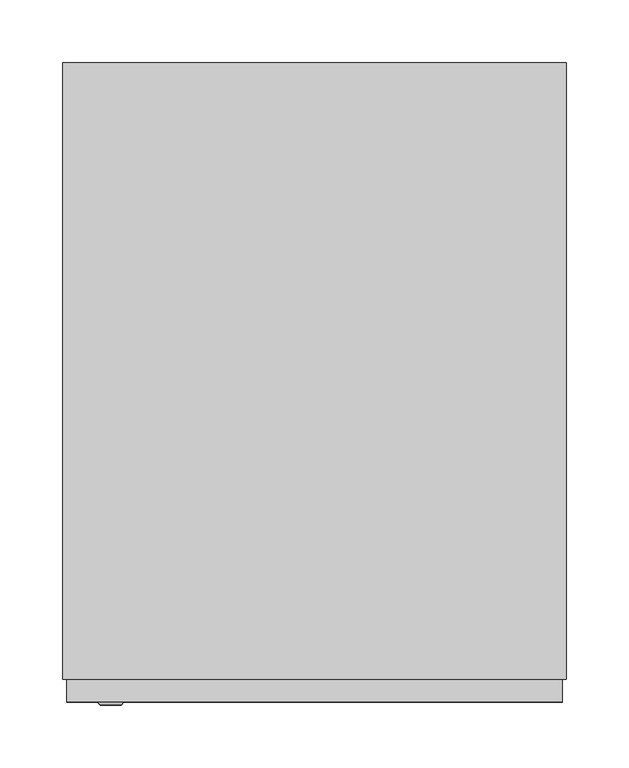
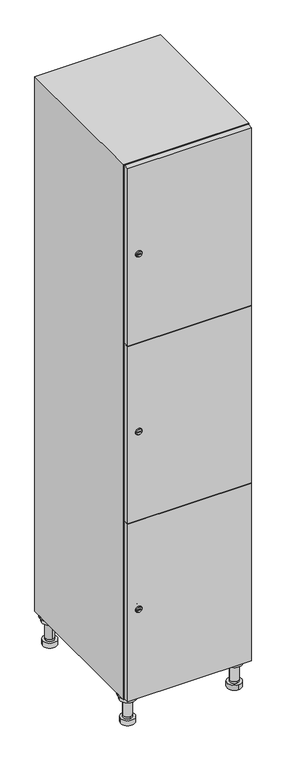
"""IFC4 building model written with IfcOpenShell, lengths in millimetres: furniture geometry."""

from ifc_helpers import new_model, si_unit, point, frame, frame_2d, origin, place, context, project, spatial, polyline, circle_curve, trimmed, segment, composite_curve, outline, extrude, faceted_brep, source, transform, mapped, element, save
from ifc_brep_helpers import plane_surface, cylinder_surface, revolved_surface, advanced_brep


def furniture_3467c257(model_context):
    return source(origin(), model_context, "Body", "SolidModel", [
        advanced_brep(
        [(170.0, -201.0, 22.0), (170.0, -201.5, 16.0), (170.0, -228.5, 16.0), (170.0, -229.0, 22.0), (156.0, -215.0, 22.0), (184.0, -215.0, 22.0), (170.0, -192.5, 16.0), (170.0, -237.5, 16.0), (170.0, -192.5, 0.0), (170.0, -237.5, 0.0), (184.0, -215.0, 78.0), (156.0, -215.0, 78.0), (195.0, -215.0, 78.0), (145.0, -215.0, 78.0), (200.0, -215.0, 94.0), (140.0, -215.0, 94.0), (145.0, -215.0, 94.0), (195.0, -215.0, 94.0), (200.0, -215.0, 100.0), (140.0, -215.0, 100.0)],
        [
            (0, 1),
            (1, 2, circle_curve(frame((170.0, -215.0, 16.0), z_axis=(0.0, 0.0, 1.0), x_axis=(0.0, -1.0, 0.0)), 13.5)),
            (2, 3),
            (3, 4, circle_curve(frame((170.0, -215.0, 22.0), z_axis=(0.0, 0.0, -1.0), x_axis=(0.0, -1.0, 0.0)), 14.0)),
            (4, 0, circle_curve(frame((170.0, -215.0, 22.0), z_axis=(0.0, 0.0, -1.0), x_axis=(0.0, -1.0, 0.0)), 14.0)),
            (0, 5, circle_curve(frame((170.0, -215.0, 22.0), z_axis=(0.0, 0.0, -1.0), x_axis=(0.0, 1.0, 0.0)), 14.0)),
            (5, 3, circle_curve(frame((170.0, -215.0, 22.0), z_axis=(0.0, 0.0, -1.0), x_axis=(0.0, 1.0, 0.0)), 14.0)),
            (2, 1, circle_curve(frame((170.0, -215.0, 16.0), z_axis=(0.0, 0.0, 1.0), x_axis=(0.0, 1.0, 0.0)), 13.5)),
            (6, 7, circle_curve(frame((170.0, -215.0, 16.0), z_axis=(0.0, 0.0, 1.0), x_axis=(0.0, -1.0, 0.0)), 22.5)),
            (7, 6, circle_curve(frame((170.0, -215.0, 16.0), z_axis=(0.0, 0.0, 1.0), x_axis=(0.0, -1.0, 0.0)), 22.5)),
            (8, 9, circle_curve(frame((170.0, -215.0, 0.0), z_axis=(0.0, 0.0, -1.0), x_axis=(0.0, -1.0, 0.0)), 22.5)),
            (9, 8, circle_curve(frame((170.0, -215.0, 0.0), z_axis=(0.0, 0.0, -1.0), x_axis=(0.0, -1.0, 0.0)), 22.5)),
            (6, 8),
            (9, 7),
            (5, 10),
            (10, 11, circle_curve(frame((170.0, -215.0, 78.0), z_axis=(0.0, 0.0, -1.0), x_axis=(-1.0, 0.0, 0.0)), 14.0)),
            (11, 4),
            (11, 10, circle_curve(frame((170.0, -215.0, 78.0), z_axis=(0.0, 0.0, -1.0), x_axis=(-1.0, 0.0, 0.0)), 14.0)),
            (12, 13, circle_curve(frame((170.0, -215.0, 78.0), z_axis=(0.0, 0.0, -1.0), x_axis=(-1.0, 0.0, 0.0)), 25.0)),
            (13, 12, circle_curve(frame((170.0, -215.0, 78.0), z_axis=(0.0, 0.0, -1.0), x_axis=(-1.0, 0.0, 0.0)), 25.0)),
            (14, 15, circle_curve(frame((170.0, -215.0, 94.0), z_axis=(0.0, 0.0, -1.0), x_axis=(-1.0, 0.0, 0.0)), 30.0)),
            (15, 14, circle_curve(frame((170.0, -215.0, 94.0), z_axis=(0.0, 0.0, -1.0), x_axis=(-1.0, 0.0, 0.0)), 30.0)),
            (16, 17, circle_curve(frame((170.0, -215.0, 94.0), z_axis=(0.0, 0.0, 1.0), x_axis=(-1.0, 0.0, 0.0)), 25.0)),
            (17, 16, circle_curve(frame((170.0, -215.0, 94.0), z_axis=(0.0, 0.0, 1.0), x_axis=(-1.0, 0.0, 0.0)), 25.0)),
            (18, 19, circle_curve(frame((170.0, -215.0, 100.0), z_axis=(0.0, 0.0, 1.0), x_axis=(-1.0, 0.0, 0.0)), 30.0)),
            (19, 18, circle_curve(frame((170.0, -215.0, 100.0), z_axis=(0.0, 0.0, 1.0), x_axis=(-1.0, 0.0, 0.0)), 30.0)),
            (14, 18),
            (19, 15),
            (12, 17),
            (16, 13),
        ],
        [
            revolved_surface(polyline([(170.0, -201.5, 16.0), (170.0, -201.0, 22.0)]), (170.0, -215.0, -146.0), (0.0, 0.0, 1.0)),
            plane_surface(frame((170.0, 0.0, 16.0), z_axis=(0.0, 0.0, 1.0), x_axis=(0.0, -1.0, 0.0))),
            plane_surface(frame((170.0, 0.0, 0.0), z_axis=(0.0, 0.0, -1.0), x_axis=(0.0, -1.0, 0.0))),
            cylinder_surface(frame((170.0, -215.0, 16.0), z_axis=(0.0, 0.0, 1.0), x_axis=(0.0, -1.0, 0.0)), 22.5),
            cylinder_surface(frame((170.0, -215.0, 22.0), z_axis=(0.0, 0.0, -1.0), x_axis=(-1.0, 0.0, 0.0)), 14.0),
            plane_surface(frame((170.0, 0.0, 78.0), z_axis=(0.0, 0.0, -1.0), x_axis=(0.0, -1.0, 0.0))),
            plane_surface(frame((170.0, 0.0, 94.0), z_axis=(0.0, 0.0, -1.0), x_axis=(0.0, -1.0, 0.0))),
            plane_surface(frame((170.0, 0.0, 100.0), z_axis=(0.0, 0.0, 1.0), x_axis=(0.0, -1.0, 0.0))),
            cylinder_surface(frame((170.0, -215.0, 94.0), z_axis=(0.0, 0.0, -1.0), x_axis=(-1.0, 0.0, 0.0)), 30.0),
            cylinder_surface(frame((170.0, -215.0, 78.0), z_axis=(0.0, 0.0, -1.0), x_axis=(-1.0, 0.0, 0.0)), 25.0),
        ],
        [
            (0, [[1, 2, 3, 4, 5]]),
            (0, [[-1, 6, 7, -3, 8]]),
            (1, [[9, 10], [-2, -8]]),
            (2, [[11, 12]]),
            (3, [[-9, 13, -12, 14]]),
            (3, [[-10, -14, -11, -13]]),
            (4, [[15, 16, 17, -4, -7]]),
            (4, [[-15, -6, -5, -17, 18]]),
            (5, [[19, 20], [-16, -18]]),
            (6, [[21, 22], [23, 24]]),
            (7, [[25, 26]]),
            (8, [[-21, 27, -26, 28]]),
            (8, [[-22, -28, -25, -27]]),
            (9, [[-19, 29, -23, 30]]),
            (9, [[-20, -30, -24, -29]]),
        ],
    ),
        advanced_brep(
        [(-170.0, -201.0, 22.0), (-170.0, -201.5, 16.0), (-170.0, -228.5, 16.0), (-170.0, -229.0, 22.0), (-184.0, -215.0, 22.0), (-156.0, -215.0, 22.0), (-147.5, -215.0, 0.0), (-192.5, -215.0, 0.0), (-147.5, -215.0, 16.0), (-192.5, -215.0, 16.0), (-156.0, -215.0, 78.0), (-184.0, -215.0, 78.0), (-145.0, -215.0, 78.0), (-195.0, -215.0, 78.0), (-140.0, -215.0, 94.0), (-200.0, -215.0, 94.0), (-195.0, -215.0, 94.0), (-145.0, -215.0, 94.0), (-140.0, -215.0, 100.0), (-200.0, -215.0, 100.0)],
        [
            (0, 1),
            (1, 2, circle_curve(frame((-170.0, -215.0, 16.0), z_axis=(0.0, 0.0, 1.0), x_axis=(0.0, -1.0, 0.0)), 13.5)),
            (2, 3),
            (3, 4, circle_curve(frame((-170.0, -215.0, 22.0), z_axis=(0.0, 0.0, -1.0), x_axis=(0.0, -1.0, 0.0)), 14.0)),
            (4, 0, circle_curve(frame((-170.0, -215.0, 22.0), z_axis=(0.0, 0.0, -1.0), x_axis=(0.0, -1.0, 0.0)), 14.0)),
            (0, 5, circle_curve(frame((-170.0, -215.0, 22.0), z_axis=(0.0, 0.0, -1.0), x_axis=(0.0, 1.0, 0.0)), 14.0)),
            (5, 3, circle_curve(frame((-170.0, -215.0, 22.0), z_axis=(0.0, 0.0, -1.0), x_axis=(0.0, 1.0, 0.0)), 14.0)),
            (2, 1, circle_curve(frame((-170.0, -215.0, 16.0), z_axis=(0.0, 0.0, 1.0), x_axis=(0.0, 1.0, 0.0)), 13.5)),
            (6, 7, circle_curve(frame((-170.0, -215.0, 0.0), z_axis=(0.0, 0.0, -1.0), x_axis=(-1.0, 0.0, 0.0)), 22.5)),
            (7, 6, circle_curve(frame((-170.0, -215.0, 0.0), z_axis=(0.0, 0.0, -1.0), x_axis=(-1.0, 0.0, 0.0)), 22.5)),
            (8, 9, circle_curve(frame((-170.0, -215.0, 16.0), z_axis=(0.0, 0.0, 1.0), x_axis=(-1.0, 0.0, 0.0)), 22.5)),
            (9, 8, circle_curve(frame((-170.0, -215.0, 16.0), z_axis=(0.0, 0.0, 1.0), x_axis=(-1.0, 0.0, 0.0)), 22.5)),
            (6, 8),
            (9, 7),
            (5, 10),
            (10, 11, circle_curve(frame((-170.0, -215.0, 78.0), z_axis=(0.0, 0.0, -1.0), x_axis=(-1.0, 0.0, 0.0)), 14.0)),
            (11, 4),
            (11, 10, circle_curve(frame((-170.0, -215.0, 78.0), z_axis=(0.0, 0.0, -1.0), x_axis=(-1.0, 0.0, 0.0)), 14.0)),
            (12, 13, circle_curve(frame((-170.0, -215.0, 78.0), z_axis=(0.0, 0.0, -1.0), x_axis=(-1.0, 0.0, 0.0)), 25.0)),
            (13, 12, circle_curve(frame((-170.0, -215.0, 78.0), z_axis=(0.0, 0.0, -1.0), x_axis=(-1.0, 0.0, 0.0)), 25.0)),
            (14, 15, circle_curve(frame((-170.0, -215.0, 94.0), z_axis=(0.0, 0.0, -1.0), x_axis=(-1.0, 0.0, 0.0)), 30.0)),
            (15, 14, circle_curve(frame((-170.0, -215.0, 94.0), z_axis=(0.0, 0.0, -1.0), x_axis=(-1.0, 0.0, 0.0)), 30.0)),
            (16, 17, circle_curve(frame((-170.0, -215.0, 94.0), z_axis=(0.0, 0.0, 1.0), x_axis=(-1.0, 0.0, 0.0)), 25.0)),
            (17, 16, circle_curve(frame((-170.0, -215.0, 94.0), z_axis=(0.0, 0.0, 1.0), x_axis=(-1.0, 0.0, 0.0)), 25.0)),
            (18, 19, circle_curve(frame((-170.0, -215.0, 100.0), z_axis=(0.0, 0.0, 1.0), x_axis=(-1.0, 0.0, 0.0)), 30.0)),
            (19, 18, circle_curve(frame((-170.0, -215.0, 100.0), z_axis=(0.0, 0.0, 1.0), x_axis=(-1.0, 0.0, 0.0)), 30.0)),
            (14, 18),
            (19, 15),
            (12, 17),
            (16, 13),
        ],
        [
            revolved_surface(polyline([(-170.0, -201.5, 16.0), (-170.0, -201.0, 22.0)]), (-170.0, -215.0, -146.0), (0.0, 0.0, 1.0)),
            plane_surface(frame((-170.0, 0.0, 0.0), z_axis=(0.0, 0.0, -1.0), x_axis=(0.0, -1.0, 0.0))),
            plane_surface(frame((-170.0, 0.0, 16.0), z_axis=(0.0, 0.0, 1.0), x_axis=(0.0, -1.0, 0.0))),
            cylinder_surface(frame((-170.0, -215.0, 0.0), z_axis=(0.0, 0.0, -1.0), x_axis=(-1.0, 0.0, 0.0)), 22.5),
            cylinder_surface(frame((-170.0, -215.0, 22.0), z_axis=(0.0, 0.0, -1.0), x_axis=(-1.0, 0.0, 0.0)), 14.0),
            plane_surface(frame((-170.0, 0.0, 78.0), z_axis=(0.0, 0.0, -1.0), x_axis=(0.0, -1.0, 0.0))),
            plane_surface(frame((-170.0, 0.0, 94.0), z_axis=(0.0, 0.0, -1.0), x_axis=(0.0, -1.0, 0.0))),
            plane_surface(frame((-170.0, 0.0, 100.0), z_axis=(0.0, 0.0, 1.0), x_axis=(0.0, -1.0, 0.0))),
            cylinder_surface(frame((-170.0, -215.0, 94.0), z_axis=(0.0, 0.0, -1.0), x_axis=(-1.0, 0.0, 0.0)), 30.0),
            cylinder_surface(frame((-170.0, -215.0, 78.0), z_axis=(0.0, 0.0, -1.0), x_axis=(-1.0, 0.0, 0.0)), 25.0),
        ],
        [
            (0, [[1, 2, 3, 4, 5]]),
            (0, [[-1, 6, 7, -3, 8]]),
            (1, [[9, 10]]),
            (2, [[11, 12], [-2, -8]]),
            (3, [[-9, 13, -12, 14]]),
            (3, [[-10, -14, -11, -13]]),
            (4, [[15, 16, 17, -4, -7]]),
            (4, [[-15, -6, -5, -17, 18]]),
            (5, [[19, 20], [-16, -18]]),
            (6, [[21, 22], [23, 24]]),
            (7, [[25, 26]]),
            (8, [[-21, 27, -26, 28]]),
            (8, [[-22, -28, -25, -27]]),
            (9, [[-19, 29, -23, 30]]),
            (9, [[-20, -30, -24, -29]]),
        ],
    ),
        advanced_brep(
        [(183.5, 215.0, 16.0), (184.0, 215.0, 22.0), (156.0, 215.0, 22.0), (156.5, 215.0, 16.0), (192.5, 215.0, 0.0), (147.5, 215.0, 0.0), (192.5, 215.0, 16.0), (147.5, 215.0, 16.0), (184.0, 215.0, 78.0), (156.0, 215.0, 78.0), (195.0, 215.0, 78.0), (145.0, 215.0, 78.0), (200.0, 215.0, 94.0), (140.0, 215.0, 94.0), (145.0, 215.0, 94.0), (195.0, 215.0, 94.0), (200.0, 215.0, 100.0), (140.0, 215.0, 100.0)],
        [
            (0, 1),
            (1, 2, circle_curve(frame((170.0, 215.0, 22.0), z_axis=(0.0, 0.0, -1.0), x_axis=(-1.0, 0.0, 0.0)), 14.0)),
            (2, 3),
            (3, 0, circle_curve(frame((170.0, 215.0, 16.0), z_axis=(0.0, 0.0, 1.0), x_axis=(-1.0, 0.0, 0.0)), 13.5)),
            (0, 3, circle_curve(frame((170.0, 215.0, 16.0), z_axis=(0.0, 0.0, 1.0), x_axis=(1.0, 0.0, 0.0)), 13.5)),
            (2, 1, circle_curve(frame((170.0, 215.0, 22.0), z_axis=(0.0, 0.0, -1.0), x_axis=(1.0, 0.0, 0.0)), 14.0)),
            (4, 5, circle_curve(frame((170.0, 215.0, 0.0), z_axis=(0.0, 0.0, -1.0), x_axis=(-1.0, 0.0, 0.0)), 22.5)),
            (5, 4, circle_curve(frame((170.0, 215.0, 0.0), z_axis=(0.0, 0.0, -1.0), x_axis=(-1.0, 0.0, 0.0)), 22.5)),
            (6, 7, circle_curve(frame((170.0, 215.0, 16.0), z_axis=(0.0, 0.0, 1.0), x_axis=(-1.0, 0.0, 0.0)), 22.5)),
            (7, 6, circle_curve(frame((170.0, 215.0, 16.0), z_axis=(0.0, 0.0, 1.0), x_axis=(-1.0, 0.0, 0.0)), 22.5)),
            (4, 6),
            (7, 5),
            (1, 8),
            (8, 9, circle_curve(frame((170.0, 215.0, 78.0), z_axis=(0.0, 0.0, -1.0), x_axis=(-1.0, 0.0, 0.0)), 14.0)),
            (9, 2),
            (9, 8, circle_curve(frame((170.0, 215.0, 78.0), z_axis=(0.0, 0.0, -1.0), x_axis=(-1.0, 0.0, 0.0)), 14.0)),
            (10, 11, circle_curve(frame((170.0, 215.0, 78.0), z_axis=(0.0, 0.0, -1.0), x_axis=(-1.0, 0.0, 0.0)), 25.0)),
            (11, 10, circle_curve(frame((170.0, 215.0, 78.0), z_axis=(0.0, 0.0, -1.0), x_axis=(-1.0, 0.0, 0.0)), 25.0)),
            (12, 13, circle_curve(frame((170.0, 215.0, 94.0), z_axis=(0.0, 0.0, -1.0), x_axis=(-1.0, 0.0, 0.0)), 30.0)),
            (13, 12, circle_curve(frame((170.0, 215.0, 94.0), z_axis=(0.0, 0.0, -1.0), x_axis=(-1.0, 0.0, 0.0)), 30.0)),
            (14, 15, circle_curve(frame((170.0, 215.0, 94.0), z_axis=(0.0, 0.0, 1.0), x_axis=(-1.0, 0.0, 0.0)), 25.0)),
            (15, 14, circle_curve(frame((170.0, 215.0, 94.0), z_axis=(0.0, 0.0, 1.0), x_axis=(-1.0, 0.0, 0.0)), 25.0)),
            (16, 17, circle_curve(frame((170.0, 215.0, 100.0), z_axis=(0.0, 0.0, 1.0), x_axis=(-1.0, 0.0, 0.0)), 30.0)),
            (17, 16, circle_curve(frame((170.0, 215.0, 100.0), z_axis=(0.0, 0.0, 1.0), x_axis=(-1.0, 0.0, 0.0)), 30.0)),
            (12, 16),
            (17, 13),
            (10, 15),
            (14, 11),
        ],
        [
            revolved_surface(polyline([(183.5, 215.0, 16.0), (184.0, 215.0, 22.0)]), (170.0, 215.0, -146.0), (0.0, 0.0, 1.0)),
            plane_surface(frame((170.0, 0.0, 0.0), z_axis=(0.0, 0.0, -1.0), x_axis=(0.0, -1.0, 0.0))),
            plane_surface(frame((170.0, 0.0, 16.0), z_axis=(0.0, 0.0, 1.0), x_axis=(0.0, -1.0, 0.0))),
            cylinder_surface(frame((170.0, 215.0, 0.0), z_axis=(0.0, 0.0, -1.0), x_axis=(-1.0, 0.0, 0.0)), 22.5),
            cylinder_surface(frame((170.0, 215.0, 22.0), z_axis=(0.0, 0.0, -1.0), x_axis=(-1.0, 0.0, 0.0)), 14.0),
            plane_surface(frame((170.0, 0.0, 78.0), z_axis=(0.0, 0.0, -1.0), x_axis=(0.0, -1.0, 0.0))),
            plane_surface(frame((170.0, 0.0, 94.0), z_axis=(0.0, 0.0, -1.0), x_axis=(0.0, -1.0, 0.0))),
            plane_surface(frame((170.0, 0.0, 100.0), z_axis=(0.0, 0.0, 1.0), x_axis=(0.0, -1.0, 0.0))),
            cylinder_surface(frame((170.0, 215.0, 94.0), z_axis=(0.0, 0.0, -1.0), x_axis=(-1.0, 0.0, 0.0)), 30.0),
            cylinder_surface(frame((170.0, 215.0, 78.0), z_axis=(0.0, 0.0, -1.0), x_axis=(-1.0, 0.0, 0.0)), 25.0),
        ],
        [
            (0, [[1, 2, 3, 4]]),
            (0, [[-1, 5, -3, 6]]),
            (1, [[7, 8]]),
            (2, [[9, 10], [-4, -5]]),
            (3, [[-7, 11, -10, 12]]),
            (3, [[-8, -12, -9, -11]]),
            (4, [[13, 14, 15, -2]]),
            (4, [[-13, -6, -15, 16]]),
            (5, [[17, 18], [-14, -16]]),
            (6, [[19, 20], [21, 22]]),
            (7, [[23, 24]]),
            (8, [[-19, 25, -24, 26]]),
            (8, [[-20, -26, -23, -25]]),
            (9, [[-17, 27, -21, 28]]),
            (9, [[-18, -28, -22, -27]]),
        ],
    ),
        advanced_brep(
        [(-156.5, 215.0, 16.0), (-156.0, 215.0, 22.0), (-170.0, 201.0, 22.0), (-184.0, 215.0, 22.0), (-183.5, 215.0, 16.0), (-170.0, 229.0, 22.0), (-147.5, 215.0, 0.0), (-192.5, 215.0, 0.0), (-147.5, 215.0, 16.0), (-192.5, 215.0, 16.0), (-170.0, 229.0, 78.0), (-170.0, 201.0, 78.0), (-145.0, 215.0, 78.0), (-195.0, 215.0, 78.0), (-140.0, 215.0, 94.0), (-200.0, 215.0, 94.0), (-195.0, 215.0, 94.0), (-145.0, 215.0, 94.0), (-140.0, 215.0, 100.0), (-200.0, 215.0, 100.0)],
        [
            (0, 1),
            (1, 2, circle_curve(frame((-170.0, 215.0, 22.0), z_axis=(0.0, 0.0, -1.0), x_axis=(-1.0, 0.0, 0.0)), 14.0)),
            (2, 3, circle_curve(frame((-170.0, 215.0, 22.0), z_axis=(0.0, 0.0, -1.0), x_axis=(-1.0, 0.0, 0.0)), 14.0)),
            (3, 4),
            (4, 0, circle_curve(frame((-170.0, 215.0, 16.0), z_axis=(0.0, 0.0, 1.0), x_axis=(-1.0, 0.0, 0.0)), 13.5)),
            (0, 4, circle_curve(frame((-170.0, 215.0, 16.0), z_axis=(0.0, 0.0, 1.0), x_axis=(1.0, 0.0, 0.0)), 13.5)),
            (3, 5, circle_curve(frame((-170.0, 215.0, 22.0), z_axis=(0.0, 0.0, -1.0), x_axis=(1.0, 0.0, 0.0)), 14.0)),
            (5, 1, circle_curve(frame((-170.0, 215.0, 22.0), z_axis=(0.0, 0.0, -1.0), x_axis=(1.0, 0.0, 0.0)), 14.0)),
            (6, 7, circle_curve(frame((-170.0, 215.0, 0.0), z_axis=(0.0, 0.0, -1.0), x_axis=(-1.0, 0.0, 0.0)), 22.5)),
            (7, 6, circle_curve(frame((-170.0, 215.0, 0.0), z_axis=(0.0, 0.0, -1.0), x_axis=(-1.0, 0.0, 0.0)), 22.5)),
            (8, 9, circle_curve(frame((-170.0, 215.0, 16.0), z_axis=(0.0, 0.0, 1.0), x_axis=(-1.0, 0.0, 0.0)), 22.5)),
            (9, 8, circle_curve(frame((-170.0, 215.0, 16.0), z_axis=(0.0, 0.0, 1.0), x_axis=(-1.0, 0.0, 0.0)), 22.5)),
            (6, 8),
            (9, 7),
            (10, 5),
            (2, 11),
            (11, 10, circle_curve(frame((-170.0, 215.0, 78.0), z_axis=(0.0, 0.0, -1.0), x_axis=(0.0, -1.0, 0.0)), 14.0)),
            (10, 11, circle_curve(frame((-170.0, 215.0, 78.0), z_axis=(0.0, 0.0, -1.0), x_axis=(0.0, -1.0, 0.0)), 14.0)),
            (12, 13, circle_curve(frame((-170.0, 215.0, 78.0), z_axis=(0.0, 0.0, -1.0), x_axis=(-1.0, 0.0, 0.0)), 25.0)),
            (13, 12, circle_curve(frame((-170.0, 215.0, 78.0), z_axis=(0.0, 0.0, -1.0), x_axis=(-1.0, 0.0, 0.0)), 25.0)),
            (14, 15, circle_curve(frame((-170.0, 215.0, 94.0), z_axis=(0.0, 0.0, -1.0), x_axis=(-1.0, 0.0, 0.0)), 30.0)),
            (15, 14, circle_curve(frame((-170.0, 215.0, 94.0), z_axis=(0.0, 0.0, -1.0), x_axis=(-1.0, 0.0, 0.0)), 30.0)),
            (16, 17, circle_curve(frame((-170.0, 215.0, 94.0), z_axis=(0.0, 0.0, 1.0), x_axis=(-1.0, 0.0, 0.0)), 25.0)),
            (17, 16, circle_curve(frame((-170.0, 215.0, 94.0), z_axis=(0.0, 0.0, 1.0), x_axis=(-1.0, 0.0, 0.0)), 25.0)),
            (18, 19, circle_curve(frame((-170.0, 215.0, 100.0), z_axis=(0.0, 0.0, 1.0), x_axis=(-1.0, 0.0, 0.0)), 30.0)),
            (19, 18, circle_curve(frame((-170.0, 215.0, 100.0), z_axis=(0.0, 0.0, 1.0), x_axis=(-1.0, 0.0, 0.0)), 30.0)),
            (14, 18),
            (19, 15),
            (12, 17),
            (16, 13),
        ],
        [
            revolved_surface(polyline([(-156.5, 215.0, 16.0), (-156.0, 215.0, 22.0)]), (-170.0, 215.0, -146.0), (0.0, 0.0, 1.0)),
            plane_surface(frame((-170.0, 0.0, 0.0), z_axis=(0.0, 0.0, -1.0), x_axis=(0.0, -1.0, 0.0))),
            plane_surface(frame((-170.0, 0.0, 16.0), z_axis=(0.0, 0.0, 1.0), x_axis=(0.0, -1.0, 0.0))),
            cylinder_surface(frame((-170.0, 215.0, 0.0), z_axis=(0.0, 0.0, -1.0), x_axis=(-1.0, 0.0, 0.0)), 22.5),
            cylinder_surface(frame((-170.0, 215.0, 78.0), z_axis=(0.0, 0.0, 1.0), x_axis=(0.0, -1.0, 0.0)), 14.0),
            plane_surface(frame((-170.0, 0.0, 78.0), z_axis=(0.0, 0.0, -1.0), x_axis=(0.0, -1.0, 0.0))),
            plane_surface(frame((-170.0, 0.0, 94.0), z_axis=(0.0, 0.0, -1.0), x_axis=(0.0, -1.0, 0.0))),
            plane_surface(frame((-170.0, 0.0, 100.0), z_axis=(0.0, 0.0, 1.0), x_axis=(0.0, -1.0, 0.0))),
            cylinder_surface(frame((-170.0, 215.0, 94.0), z_axis=(0.0, 0.0, -1.0), x_axis=(-1.0, 0.0, 0.0)), 30.0),
            cylinder_surface(frame((-170.0, 215.0, 78.0), z_axis=(0.0, 0.0, -1.0), x_axis=(-1.0, 0.0, 0.0)), 25.0),
        ],
        [
            (0, [[1, 2, 3, 4, 5]]),
            (0, [[-1, 6, -4, 7, 8]]),
            (1, [[9, 10]]),
            (2, [[11, 12], [-5, -6]]),
            (3, [[-9, 13, -12, 14]]),
            (3, [[-10, -14, -11, -13]]),
            (4, [[15, -7, -3, 16, 17]]),
            (4, [[-15, 18, -16, -2, -8]]),
            (5, [[19, 20], [-17, -18]]),
            (6, [[21, 22], [23, 24]]),
            (7, [[25, 26]]),
            (8, [[-21, 27, -26, 28]]),
            (8, [[-22, -28, -25, -27]]),
            (9, [[-19, 29, -23, 30]]),
            (9, [[-20, -30, -24, -29]]),
        ],
    ),
        extrude(outline(composite_curve([segment(trimmed(circle_curve(frame_2d((402.0, -188.7989466)), 7.0), [point((409.0, -188.7989466))], [point((395.0, -188.7989466))], False, "CARTESIAN"), True, "CONTINUOUS"), segment(polyline([(395.0, -188.7989466), (395.0, -160.7989466)]), True, "CONTINUOUS"), segment(trimmed(circle_curve(frame_2d((402.0, -160.7989466)), 7.0), [point((395.0, -160.7989466))], [point((409.0, -160.7989466))], False, "CARTESIAN"), True, "CONTINUOUS"), segment(polyline([(409.0, -160.7989466), (409.0, -188.7989466)]), True, "CONTINUOUS")], self_intersect=False)), frame((0.0, -245.0, 0.0), z_axis=(0.0, 1.0, 0.0), x_axis=(0.0, 0.0, 1.0)), (0.0, 0.0, 1.0), 2.0),
        advanced_brep(
        [(-153.5, -265.2, 402.0), (-170.5, -265.2, 402.0), (-167.0, -265.2, 400.75), (-167.0, -265.2, 403.25), (-157.0, -265.2, 403.25), (-157.0, -265.2, 400.75), (-151.5, -263.0, 402.0), (-172.5, -263.0, 402.0), (-167.0, -263.0, 403.25), (-167.0, -263.0, 400.75), (-157.0, -263.0, 400.75), (-157.0, -263.0, 403.25)],
        [
            (0, 1, circle_curve(frame((-162.0, -265.2, 402.0), z_axis=(0.0, -1.0, 0.0), x_axis=(1.0, 0.0, 0.0)), 8.5)),
            (1, 0, circle_curve(frame((-162.0, -265.2, 402.0), z_axis=(0.0, -1.0, 0.0), x_axis=(-1.0, 0.0, 0.0)), 8.5)),
            (2, 3),
            (3, 4),
            (4, 5),
            (5, 2),
            (6, 7, circle_curve(frame((-162.0, -263.0, 402.0), z_axis=(0.0, 1.0, 0.0), x_axis=(-1.0, 0.0, 0.0)), 10.5)),
            (7, 6, circle_curve(frame((-162.0, -263.0, 402.0), z_axis=(0.0, 1.0, 0.0), x_axis=(1.0, 0.0, 0.0)), 10.5)),
            (8, 9),
            (9, 10),
            (10, 11),
            (11, 8),
            (0, 6),
            (7, 1),
            (8, 3),
            (2, 9),
            (11, 4),
            (10, 5),
        ],
        [
            plane_surface(frame((-162.0, -265.2, 402.0), z_axis=(0.0, -1.0, 0.0), x_axis=(0.0, 0.0, 1.0))),
            plane_surface(frame((-162.0, -263.0, 402.0), z_axis=(0.0, 1.0, 0.0), x_axis=(0.0, 0.0, 1.0))),
            revolved_surface(polyline([(-153.5, -265.2, 402.0), (-151.5, -263.0, 402.0)]), (-162.0, -274.55, 402.0), (0.0, 1.0, 0.0)),
            revolved_surface(polyline([(-170.5, -265.2, 402.0), (-172.5, -263.0, 402.0)]), (-162.0, -274.55, 402.0), (0.0, 1.0, 0.0)),
            plane_surface(frame((-167.0, -263.0, 400.75), z_axis=(1.0, 0.0, 0.0), x_axis=(0.0, -1.0, 0.0))),
            plane_surface(frame((-167.0, -263.0, 403.25), z_axis=(0.0, 0.0, -1.0), x_axis=(0.0, -1.0, 0.0))),
            plane_surface(frame((-157.0, -263.0, 403.25), z_axis=(-1.0, 0.0, 0.0), x_axis=(0.0, -1.0, 0.0))),
            plane_surface(frame((-157.0, -263.0, 400.75), z_axis=(0.0, 0.0, 1.0), x_axis=(0.0, -1.0, 0.0))),
        ],
        [
            (0, [[1, 2], [3, 4, 5, 6]]),
            (1, [[7, 8], [9, 10, 11, 12]]),
            (2, [[-1, 13, -8, 14]]),
            (3, [[-2, -14, -7, -13]]),
            (4, [[15, -3, 16, -9]]),
            (5, [[-15, -12, 17, -4]]),
            (6, [[-17, -11, 18, -5]]),
            (7, [[-16, -6, -18, -10]]),
        ],
    ),
        extrude(outline(composite_curve([segment(trimmed(circle_curve(frame_2d((1000.0, -188.7989466)), 7.0), [point((1007.0, -188.7989466))], [point((993.0, -188.7989466))], False, "CARTESIAN"), True, "CONTINUOUS"), segment(polyline([(993.0, -188.7989466), (993.0, -160.7989466)]), True, "CONTINUOUS"), segment(trimmed(circle_curve(frame_2d((1000.0, -160.7989466)), 7.0), [point((993.0, -160.7989466))], [point((1007.0, -160.7989466))], False, "CARTESIAN"), True, "CONTINUOUS"), segment(polyline([(1007.0, -160.7989466), (1007.0, -188.7989466)]), True, "CONTINUOUS")], self_intersect=False)), frame((0.0, -245.0, 0.0), z_axis=(0.0, 1.0, 0.0), x_axis=(0.0, 0.0, 1.0)), (0.0, 0.0, 1.0), 2.0),
        advanced_brep(
        [(-153.5, -265.2, 1000.0), (-170.5, -265.2, 1000.0), (-167.0, -265.2, 998.75), (-167.0, -265.2, 1001.25), (-157.0, -265.2, 1001.25), (-157.0, -265.2, 998.75), (-151.5, -263.0, 1000.0), (-172.5, -263.0, 1000.0), (-167.0, -263.0, 1001.25), (-167.0, -263.0, 998.75), (-157.0, -263.0, 998.75), (-157.0, -263.0, 1001.25)],
        [
            (0, 1, circle_curve(frame((-162.0, -265.2, 1000.0), z_axis=(0.0, -1.0, 0.0), x_axis=(1.0, 0.0, 0.0)), 8.5)),
            (1, 0, circle_curve(frame((-162.0, -265.2, 1000.0), z_axis=(0.0, -1.0, 0.0), x_axis=(-1.0, 0.0, 0.0)), 8.5)),
            (2, 3),
            (3, 4),
            (4, 5),
            (5, 2),
            (6, 7, circle_curve(frame((-162.0, -263.0, 1000.0), z_axis=(0.0, 1.0, 0.0), x_axis=(-1.0, 0.0, 0.0)), 10.5)),
            (7, 6, circle_curve(frame((-162.0, -263.0, 1000.0), z_axis=(0.0, 1.0, 0.0), x_axis=(1.0, 0.0, 0.0)), 10.5)),
            (8, 9),
            (9, 10),
            (10, 11),
            (11, 8),
            (0, 6),
            (7, 1),
            (8, 3),
            (2, 9),
            (11, 4),
            (10, 5),
        ],
        [
            plane_surface(frame((-162.0, -265.2, 1000.0), z_axis=(0.0, -1.0, 0.0), x_axis=(0.0, 0.0, 1.0))),
            plane_surface(frame((-162.0, -263.0, 1000.0), z_axis=(0.0, 1.0, 0.0), x_axis=(0.0, 0.0, 1.0))),
            revolved_surface(polyline([(-153.5, -265.2, 1000.0), (-151.5, -263.0, 1000.0)]), (-162.0, -274.55, 1000.0), (0.0, 1.0, 0.0)),
            revolved_surface(polyline([(-170.5, -265.2, 1000.0), (-172.5, -263.0, 1000.0)]), (-162.0, -274.55, 1000.0), (0.0, 1.0, 0.0)),
            plane_surface(frame((-167.0, -263.0, 998.75), z_axis=(1.0, 0.0, 0.0), x_axis=(0.0, -1.0, 0.0))),
            plane_surface(frame((-167.0, -263.0, 1001.25), z_axis=(0.0, 0.0, -1.0), x_axis=(0.0, -1.0, 0.0))),
            plane_surface(frame((-157.0, -263.0, 1001.25), z_axis=(-1.0, 0.0, 0.0), x_axis=(0.0, -1.0, 0.0))),
            plane_surface(frame((-157.0, -263.0, 998.75), z_axis=(0.0, 0.0, 1.0), x_axis=(0.0, -1.0, 0.0))),
        ],
        [
            (0, [[1, 2], [3, 4, 5, 6]]),
            (1, [[7, 8], [9, 10, 11, 12]]),
            (2, [[-1, 13, -8, 14]]),
            (3, [[-2, -14, -7, -13]]),
            (4, [[15, -3, 16, -9]]),
            (5, [[-15, -12, 17, -4]]),
            (6, [[-17, -11, 18, -5]]),
            (7, [[-16, -6, -18, -10]]),
        ],
    ),
        extrude(outline(composite_curve([segment(trimmed(circle_curve(frame_2d((1598.0, -188.7989466)), 7.0), [point((1605.0, -188.7989466))], [point((1591.0, -188.7989466))], False, "CARTESIAN"), True, "CONTINUOUS"), segment(polyline([(1591.0, -188.7989466), (1591.0, -160.7989466)]), True, "CONTINUOUS"), segment(trimmed(circle_curve(frame_2d((1598.0, -160.7989466)), 7.0), [point((1591.0, -160.7989466))], [point((1605.0, -160.7989466))], False, "CARTESIAN"), True, "CONTINUOUS"), segment(polyline([(1605.0, -160.7989466), (1605.0, -188.7989466)]), True, "CONTINUOUS")], self_intersect=False)), frame((0.0, -245.0, 0.0), z_axis=(0.0, 1.0, 0.0), x_axis=(0.0, 0.0, 1.0)), (0.0, 0.0, 1.0), 2.0),
        advanced_brep(
        [(-153.5, -265.2, 1598.0), (-170.5, -265.2, 1598.0), (-167.0, -265.2, 1596.75), (-167.0, -265.2, 1599.25), (-157.0, -265.2, 1599.25), (-157.0, -265.2, 1596.75), (-151.5, -263.0, 1598.0), (-172.5, -263.0, 1598.0), (-167.0, -263.0, 1599.25), (-167.0, -263.0, 1596.75), (-157.0, -263.0, 1596.75), (-157.0, -263.0, 1599.25)],
        [
            (0, 1, circle_curve(frame((-162.0, -265.2, 1598.0), z_axis=(0.0, -1.0, 0.0), x_axis=(1.0, 0.0, 0.0)), 8.5)),
            (1, 0, circle_curve(frame((-162.0, -265.2, 1598.0), z_axis=(0.0, -1.0, 0.0), x_axis=(-1.0, 0.0, 0.0)), 8.5)),
            (2, 3),
            (3, 4),
            (4, 5),
            (5, 2),
            (6, 7, circle_curve(frame((-162.0, -263.0, 1598.0), z_axis=(0.0, 1.0, 0.0), x_axis=(-1.0, 0.0, 0.0)), 10.5)),
            (7, 6, circle_curve(frame((-162.0, -263.0, 1598.0), z_axis=(0.0, 1.0, 0.0), x_axis=(1.0, 0.0, 0.0)), 10.5)),
            (8, 9),
            (9, 10),
            (10, 11),
            (11, 8),
            (0, 6),
            (7, 1),
            (8, 3),
            (2, 9),
            (11, 4),
            (10, 5),
        ],
        [
            plane_surface(frame((-162.0, -265.2, 1598.0), z_axis=(0.0, -1.0, 0.0), x_axis=(0.0, 0.0, 1.0))),
            plane_surface(frame((-162.0, -263.0, 1598.0), z_axis=(0.0, 1.0, 0.0), x_axis=(0.0, 0.0, 1.0))),
            revolved_surface(polyline([(-153.5, -265.2, 1598.0), (-151.5, -263.0, 1598.0)]), (-162.0, -274.55, 1598.0), (0.0, 1.0, 0.0)),
            revolved_surface(polyline([(-170.5, -265.2, 1598.0), (-172.5, -263.0, 1598.0)]), (-162.0, -274.55, 1598.0), (0.0, 1.0, 0.0)),
            plane_surface(frame((-167.0, -263.0, 1596.75), z_axis=(1.0, 0.0, 0.0), x_axis=(0.0, -1.0, 0.0))),
            plane_surface(frame((-167.0, -263.0, 1599.25), z_axis=(0.0, 0.0, -1.0), x_axis=(0.0, -1.0, 0.0))),
            plane_surface(frame((-157.0, -263.0, 1599.25), z_axis=(-1.0, 0.0, 0.0), x_axis=(0.0, -1.0, 0.0))),
            plane_surface(frame((-157.0, -263.0, 1596.75), z_axis=(0.0, 0.0, 1.0), x_axis=(0.0, -1.0, 0.0))),
        ],
        [
            (0, [[1, 2], [3, 4, 5, 6]]),
            (1, [[7, 8], [9, 10, 11, 12]]),
            (2, [[-1, 13, -8, 14]]),
            (3, [[-2, -14, -7, -13]]),
            (4, [[15, -3, 16, -9]]),
            (5, [[-15, -12, 17, -4]]),
            (6, [[-17, -11, 18, -5]]),
            (7, [[-16, -6, -18, -10]]),
        ],
    ),
        extrude(outline(polyline([(197.0, -245.0), (197.0, -263.0), (-197.0, -263.0), (-197.0, -245.0), (197.0, -245.0)])), frame((0.0, 0.0, 701.5), z_axis=(0.0, 0.0, 1.0), x_axis=(1.0, 0.0, 0.0)), (0.0, 0.0, 1.0), 597.0),
        extrude(outline(polyline([(-197.0, -263.0), (-197.0, -245.0), (197.0, -245.0), (197.0, -263.0), (-197.0, -263.0)])), frame((0.0, 0.0, 1299.5), z_axis=(0.0, 0.0, 1.0), x_axis=(1.0, 0.0, 0.0)), (0.0, 0.0, 1.0), 597.5),
        extrude(outline(polyline([(197.0, -245.0), (197.0, -263.0), (-197.0, -263.0), (-197.0, -245.0), (197.0, -245.0)])), frame((0.0, 0.0, 103.0), z_axis=(0.0, 0.0, 1.0), x_axis=(1.0, 0.0, 0.0)), (0.0, 0.0, 1.0), 597.5),
        extrude(outline(polyline([(182.0, 227.0), (182.0, -227.0), (-182.0, -227.0), (-182.0, 227.0), (182.0, 227.0)])), frame((0.0, 0.0, 1285.0), z_axis=(0.0, 0.0, 1.0), x_axis=(1.0, 0.0, 0.0)), (0.0, 0.0, 1.0), 18.0),
        extrude(outline(polyline([(-182.0, 227.0), (182.0, 227.0), (182.0, -227.0), (-182.0, -227.0), (-182.0, 227.0)])), frame((0.0, 0.0, 697.0), z_axis=(0.0, 0.0, 1.0), x_axis=(1.0, 0.0, 0.0)), (0.0, 0.0, 1.0), 18.0),
        faceted_brep([(200.0, -245.0, 100.0), (200.0, -245.0, 1900.0), (-200.0, -245.0, 1900.0), (-200.0, -245.0, 100.0), (182.0, -245.0, 1882.0), (182.0, -245.0, 118.0), (-182.0, -245.0, 118.0), (-182.0, -245.0, 1882.0), (200.0, 245.0, 100.0), (-200.0, 245.0, 100.0), (200.0, 245.0, 1900.0), (-200.0, 245.0, 1900.0), (182.0, 227.0, 1882.0), (182.0, 227.0, 118.0), (-200.0, 245.0, 1882.0), (-182.0, 227.0, 1882.0), (-182.0, 227.0, 118.0)], [[[0, 1, 2, 3], [4, 5, 6, 7]], [[8, 0, 3, 9]], [[1, 0, 8, 10]], [[1, 10, 11, 2]], [[4, 12, 13, 5]], [[9, 3, 2, 11, 14]], [[10, 8, 9, 14, 11]], [[12, 15, 16, 13]], [[15, 7, 6, 16]], [[4, 7, 15, 12]], [[6, 5, 13, 16]]]),
    ])


if __name__ == "__main__":
    model = new_model("IFC4")
    model_context = context("Model", 3, world=origin())
    ifc_project = project(units=[si_unit("LENGTHUNIT", "METRE", prefix="MILLI")], contexts=[model_context])
    site = spatial("IfcSite", under=ifc_project)
    building = spatial("IfcBuilding", under=site)
    placement = place(None, origin())
    furniture_shape = furniture_3467c257(model_context)
    element("IfcFurniture", 1, at=placement, inside=building, context=model_context, shape_type="MappedRepresentation", body=[
        mapped(furniture_shape, transform((0.0, 0.0, 0.0), x_axis=(1.0, 0.0, 0.0), y_axis=(0.0, 1.0, 0.0), z_axis=(0.0, 0.0, 1.0))),
    ])
    save(model, "model.ifc")
